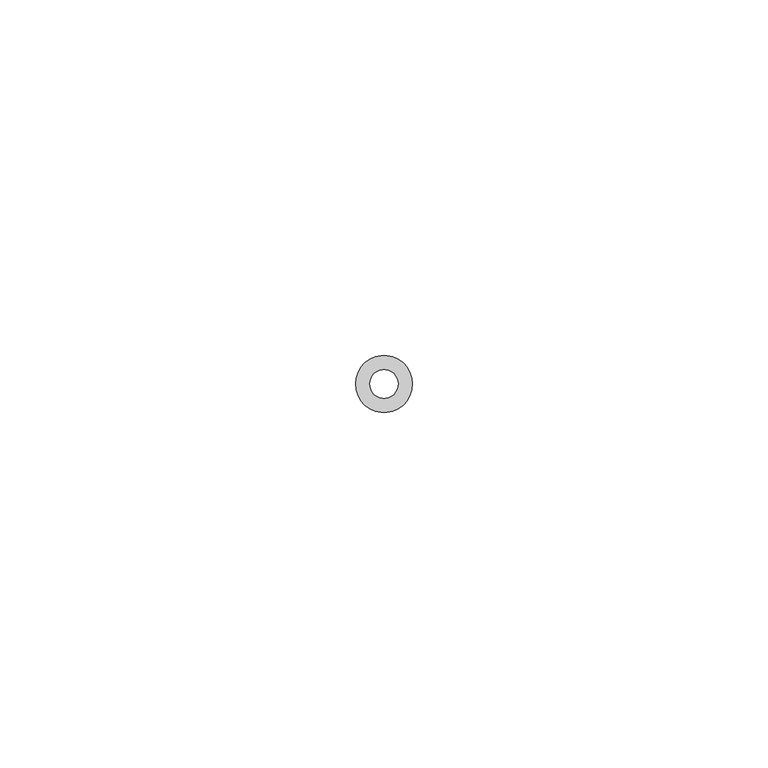
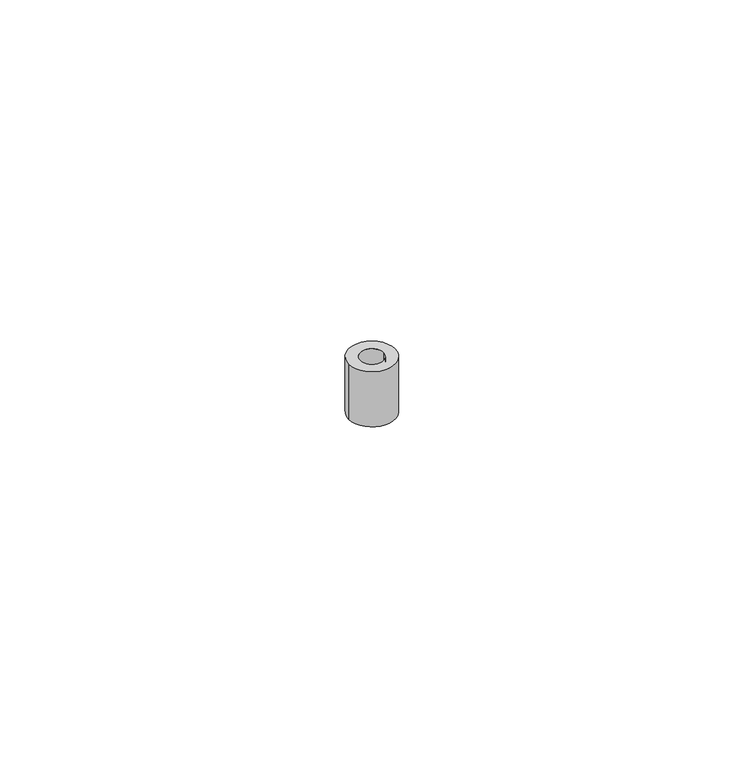
"""IFC4 building model written with IfcOpenShell, lengths in millimetres: proxy geometry."""

from ifc_helpers import new_model, si_unit, point, origin, origin_with_axes, origin_2d, place, context, project, spatial, circle_curve, trimmed, segment, composite_curve, outline, extrude, source, transform, mapped, element, save


def generic_models_7ec64477(model_context):
    return source(origin(), model_context, "Body", "SweptSolid", [
        extrude(outline(composite_curve([segment(trimmed(circle_curve(origin_2d(), 4.0), [point((4.0, 0.0))], [point((-4.0, 0.0))], False, "CARTESIAN"), True, "CONTINUOUS"), segment(trimmed(circle_curve(origin_2d(), 4.0), [point((-4.0, 0.0))], [point((4.0, 0.0))], False, "CARTESIAN"), True, "CONTINUOUS")], self_intersect=False), holes=[composite_curve([segment(trimmed(circle_curve(origin_2d(), 2.0), [point((2.0, 0.0))], [point((-2.0, 0.0))], True, "CARTESIAN"), True, "CONTINUOUS"), segment(trimmed(circle_curve(origin_2d(), 2.0), [point((-2.0, 0.0))], [point((2.0, 0.0))], True, "CARTESIAN"), True, "CONTINUOUS")], self_intersect=False)]), origin_with_axes(), (0.0, 0.0, 1.0), 10.0),
    ])


if __name__ == "__main__":
    model = new_model("IFC4")
    model_context = context("Model", 3, world=origin())
    ifc_project = project(units=[si_unit("LENGTHUNIT", "METRE", prefix="MILLI")], contexts=[model_context])
    site = spatial("IfcSite", under=ifc_project)
    building = spatial("IfcBuilding", under=site)
    placement = place(None, origin())
    generic_models_shape = generic_models_7ec64477(model_context)
    element("IfcBuildingElementProxy", 1, Name="Generic Models", at=placement, inside=building, context=model_context, shape_type="MappedRepresentation", body=[
        mapped(generic_models_shape, transform((0.0, 0.0, 0.0), x_axis=(1.0, 0.0, 0.0), y_axis=(0.0, 1.0, 0.0), z_axis=(0.0, 0.0, 1.0))),
    ])
    save(model, "model.ifc")
